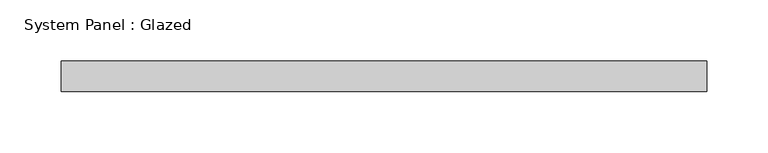
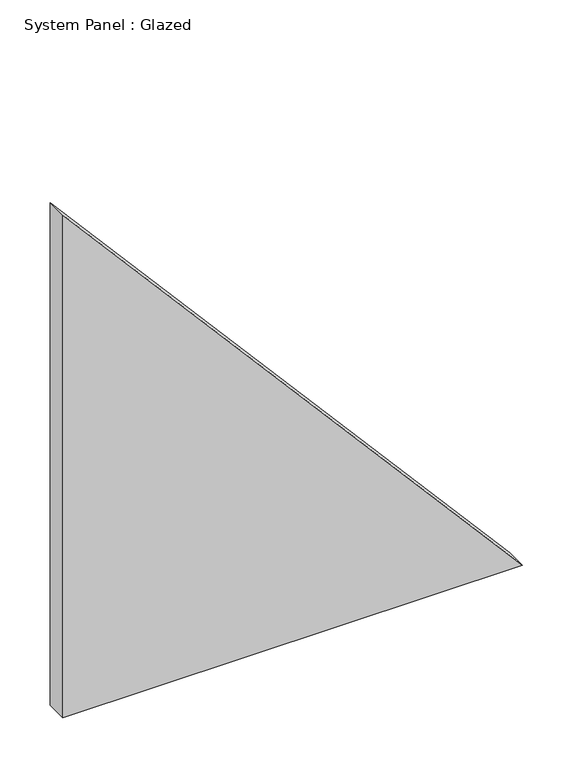
"""IFC4 building model written with IfcOpenShell, lengths in millimetres: plate geometry, System Panel : Glazed."""

from ifc_helpers import new_model, si_unit, frame, origin, place, context, project, spatial, polyline, outline, extrude, source, transform, mapped, element, save


def system_panel_glazed_a42d5170(model_context):
    return source(origin(), model_context, "Body", "SweptSolid", [
        extrude(outline(polyline([(0.0, -263.7325643), (0.0, 263.7325643), (609.0642679, -263.7325643), (0.0, -263.7325643)])), frame((0.0, 24.5, 0.0), z_axis=(0.0, 1.0, 0.0), x_axis=(0.0, 0.0, 1.0)), (0.0, 0.0, 1.0), 25.0),
    ])


if __name__ == "__main__":
    model = new_model("IFC4")
    model_context = context("Model", 3, world=origin())
    ifc_project = project(units=[si_unit("LENGTHUNIT", "METRE", prefix="MILLI")], contexts=[model_context])
    site = spatial("IfcSite", under=ifc_project)
    building = spatial("IfcBuilding", under=site)
    placement = place(None, origin())
    system_panel_glazed_shape = system_panel_glazed_a42d5170(model_context)
    element("IfcPlate", 1, ObjectType="System Panel : Glazed", at=placement, inside=building, context=model_context, shape_type="MappedRepresentation", body=[
        mapped(system_panel_glazed_shape, transform((0.0, 0.0, 0.0), x_axis=(1.0, 0.0, 0.0), y_axis=(0.0, 1.0, 0.0), z_axis=(0.0, 0.0, 1.0))),
    ])
    save(model, "model.ifc")
